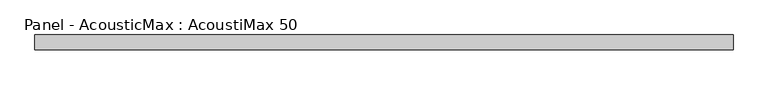
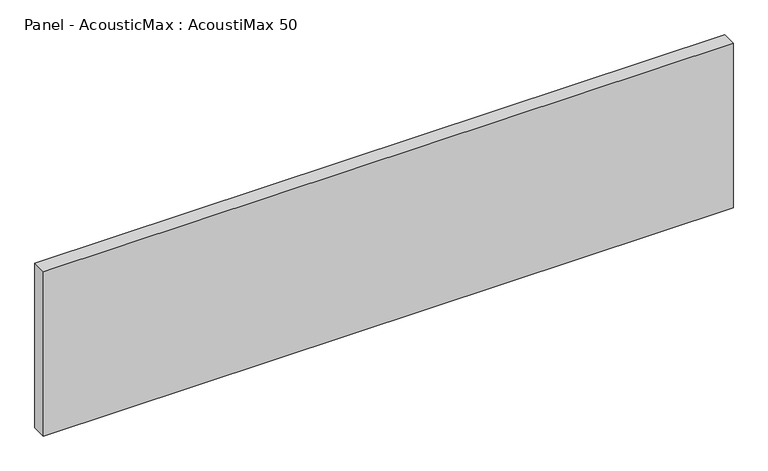
"""IFC4 building model written with IfcOpenShell, lengths in millimetres: plate geometry, Panel - AcousticMax : AcoustiMax 50."""

from ifc_helpers import new_model, si_unit, origin, origin_with_axes, place, context, project, spatial, polyline, outline, extrude, source, transform, mapped, element, save


def panel_acousticmax_acoustimax_50_3ff82c38(model_context):
    return source(origin(), model_context, "Body", "SweptSolid", [
        extrude(outline(polyline([(1191.0, -25.0), (-1190.5, -25.0), (-1190.5, 25.0), (1191.0, 25.0), (1191.0, -25.0)])), origin_with_axes(), (0.0, 0.0, 1.0), 600.0),
    ])


if __name__ == "__main__":
    model = new_model("IFC4")
    model_context = context("Model", 3, world=origin())
    ifc_project = project(units=[si_unit("LENGTHUNIT", "METRE", prefix="MILLI")], contexts=[model_context])
    site = spatial("IfcSite", under=ifc_project)
    building = spatial("IfcBuilding", under=site)
    placement = place(None, origin())
    panel_acousticmax_acoustimax_50_shape = panel_acousticmax_acoustimax_50_3ff82c38(model_context)
    element("IfcPlate", 1, ObjectType="Panel - AcousticMax : AcoustiMax 50", at=placement, inside=building, context=model_context, shape_type="MappedRepresentation", body=[
        mapped(panel_acousticmax_acoustimax_50_shape, transform((0.0, 0.0, 0.0), x_axis=(1.0, 0.0, 0.0), y_axis=(0.0, 1.0, 0.0), z_axis=(0.0, 0.0, 1.0))),
    ])
    save(model, "model.ifc")
